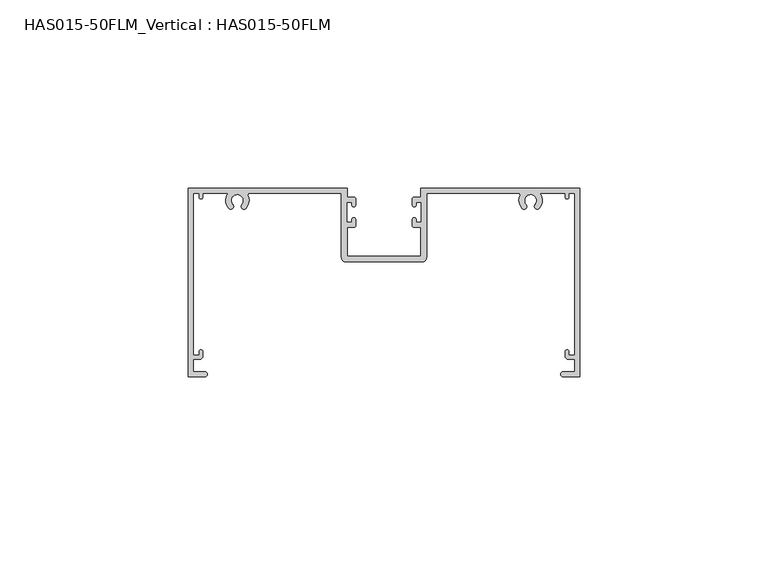
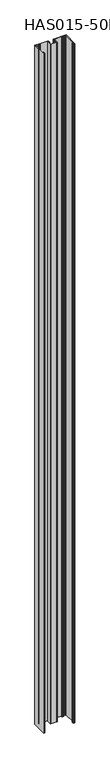
"""IFC4 building model written with IfcOpenShell, lengths in millimetres: beam geometry, HAS015-50FLM_Vertical : HAS015-50FLM."""

from ifc_helpers import new_model, si_unit, point, frame, frame_2d, origin, place, context, project, spatial, polyline, circle_curve, trimmed, segment, composite_curve, outline, extrude, source, transform, mapped, element, save


def has015_50flm_vertical_has015_50flm_49b2bbae(model_context):
    return source(origin(), model_context, "Body", "SweptSolid", [
        extrude(outline(composite_curve([segment(polyline([(-9.7397316, -2.3590177), (-8.0332081, -2.3590177)]), True, "CONTINUOUS"), segment(trimmed(circle_curve(frame_2d((-8.0332081, -2.8609364)), 0.5019187), [point((-8.0332081, -2.3590177))], [point((-7.5312895, -2.8609364))], False, "CARTESIAN"), True, "CONTINUOUS"), segment(polyline([(-7.5312895, -2.8609364), (-7.5312895, -4.4663086)]), True, "CONTINUOUS"), segment(trimmed(circle_curve(frame_2d((-8.0332081, -4.4663086)), 0.5019187), [point((-7.5312895, -4.4663086))], [point((-8.5351268, -4.4663086))], False, "CARTESIAN"), True, "CONTINUOUS"), segment(polyline([(-8.5351268, -4.4663086), (-8.5351268, -3.6640062), (-9.940499, -3.6640062), (-9.940499, -9.0847277), (-8.5351268, -9.0847277), (-8.5351268, -8.2824253)]), True, "CONTINUOUS"), segment(trimmed(circle_curve(frame_2d((-8.0332081, -8.2824253)), 0.5019187), [point((-8.5351268, -8.2824253))], [point((-7.5312895, -8.2824253))], False, "CARTESIAN"), True, "CONTINUOUS"), segment(polyline([(-7.5312895, -8.2824253), (-7.5312895, -9.8877976)]), True, "CONTINUOUS"), segment(trimmed(circle_curve(frame_2d((-8.0332081, -9.8877976)), 0.5019187), [point((-7.5312895, -9.8877976))], [point((-8.0332081, -10.3897162))], False, "CARTESIAN"), True, "CONTINUOUS"), segment(polyline([(-8.0332081, -10.3897162), (-9.7397316, -10.3897162), (-9.7397316, -18.0188798), (9.7397316, -18.0188798), (9.7397316, -10.3897162), (8.0332081, -10.3897162)]), True, "CONTINUOUS"), segment(trimmed(circle_curve(frame_2d((8.0332081, -9.8877976)), 0.5019187), [point((8.0332081, -10.3897162))], [point((7.5312895, -9.8877976))], False, "CARTESIAN"), True, "CONTINUOUS"), segment(polyline([(7.5312895, -9.8877976), (7.5312895, -8.2824253)]), True, "CONTINUOUS"), segment(trimmed(circle_curve(frame_2d((8.0332081, -8.2824253)), 0.5019187), [point((7.5312895, -8.2824253))], [point((8.5351268, -8.2824253))], False, "CARTESIAN"), True, "CONTINUOUS"), segment(polyline([(8.5351268, -8.2824253), (8.5351268, -9.0847277), (9.940499, -9.0847277), (9.940499, -3.6640062), (8.5351268, -3.6640062), (8.5351268, -4.4663086)]), True, "CONTINUOUS"), segment(trimmed(circle_curve(frame_2d((8.0332081, -4.4663086)), 0.5019187), [point((8.5351268, -4.4663086))], [point((7.5312895, -4.4663086))], False, "CARTESIAN"), True, "CONTINUOUS"), segment(polyline([(7.5312895, -4.4663086), (7.5312895, -2.8609364)]), True, "CONTINUOUS"), segment(trimmed(circle_curve(frame_2d((8.0332081, -2.8609364)), 0.5019187), [point((7.5312895, -2.8609364))], [point((8.0332081, -2.3590177))], False, "CARTESIAN"), True, "CONTINUOUS"), segment(polyline([(8.0332081, -2.3590177), (9.7397316, -2.3590177), (9.7397316, 0.0), (51.998773, 0.0), (51.998773, -50.0959329), (47.6822725, -50.0959329)]), True, "CONTINUOUS"), segment(trimmed(circle_curve(frame_2d((47.6822725, -49.3932468)), 0.7026861), [point((47.6822725, -50.0959329))], [point((47.6822725, -48.6905607))], False, "CARTESIAN"), True, "CONTINUOUS"), segment(polyline([(47.6822725, -48.6905607), (50.6435926, -48.6905607), (50.6435926, -45.4280894), (48.9370692, -45.4280894)]), True, "CONTINUOUS"), segment(trimmed(circle_curve(frame_2d((48.9370692, -44.6250195)), 0.8030699), [point((48.9370692, -45.4280894))], [point((48.1339993, -44.6250195))], False, "CARTESIAN"), True, "CONTINUOUS"), segment(polyline([(48.1339993, -44.6250195), (48.1339993, -43.4204148)]), True, "CONTINUOUS"), segment(trimmed(circle_curve(frame_2d((48.635918, -43.4204148)), 0.5019187), [point((48.1339993, -43.4204148))], [point((49.1378366, -43.4204148))], False, "CARTESIAN"), True, "CONTINUOUS"), segment(polyline([(49.1378366, -43.4204148), (49.1378366, -44.4242521), (50.6435926, -44.4242521), (50.6435926, -1.3551804), (49.1378366, -1.3551804), (49.1378366, -2.3590177)]), True, "CONTINUOUS"), segment(trimmed(circle_curve(frame_2d((48.635918, -2.3590177)), 0.5019187), [point((49.1378366, -2.3590177))], [point((48.1339993, -2.3590177))], False, "CARTESIAN"), True, "CONTINUOUS"), segment(polyline([(48.1339993, -2.3590177), (48.1339993, -1.3551804), (41.4082317, -1.3551804)]), True, "CONTINUOUS"), segment(trimmed(circle_curve(frame_2d((38.9488879, -3.261885)), 3.1118957), [point((41.4082317, -1.3551804))], [point((41.283567, -5.3193515))], False, "CARTESIAN"), True, "CONTINUOUS"), segment(trimmed(circle_curve(frame_2d((40.7187253, -4.8215773)), 0.752878), [point((41.283567, -5.3193515))], [point((40.1538836, -4.3238032))], False, "CARTESIAN"), True, "CONTINUOUS"), segment(trimmed(circle_curve(frame_2d((38.9488879, -3.261885)), 1.6061397), [point((40.1538836, -4.3238032))], [point((38.9939217, -1.6563768))], True, "CARTESIAN"), True, "CONTINUOUS"), segment(trimmed(circle_curve(frame_2d((38.9488879, -3.261885)), 1.6061397), [point((38.9939217, -1.6563768))], [point((37.7438922, -4.3238032))], True, "CARTESIAN"), True, "CONTINUOUS"), segment(trimmed(circle_curve(frame_2d((37.1790505, -4.8215773)), 0.752878), [point((37.7438922, -4.3238032))], [point((36.6142088, -5.3193515))], False, "CARTESIAN"), True, "CONTINUOUS"), segment(trimmed(circle_curve(frame_2d((38.9488879, -3.261885)), 3.1118957), [point((36.6142088, -5.3193515))], [point((36.1372659, -1.9282147))], False, "CARTESIAN"), True, "CONTINUOUS"), segment(trimmed(circle_curve(frame_2d((35.7744765, -1.7561284)), 0.4015343), [point((36.1372659, -1.9282147))], [point((35.7744765, -1.3545941))], True, "CARTESIAN"), True, "CONTINUOUS"), segment(polyline([(35.7744765, -1.3545941), (11.2956794, -1.3545941), (11.2956794, -18.3702229)]), True, "CONTINUOUS"), segment(trimmed(circle_curve(frame_2d((10.0910746, -18.3702229)), 1.2046048), [point((11.2956794, -18.3702229))], [point((10.0910746, -19.5748277))], False, "CARTESIAN"), True, "CONTINUOUS"), segment(polyline([(10.0910746, -19.5748277), (-10.0910746, -19.5748277)]), True, "CONTINUOUS"), segment(trimmed(circle_curve(frame_2d((-10.0910746, -18.3702229)), 1.2046048), [point((-10.0910746, -19.5748277))], [point((-11.2956794, -18.3702229))], False, "CARTESIAN"), True, "CONTINUOUS"), segment(polyline([(-11.2956794, -18.3702229), (-11.2956794, -1.3545941), (-35.7744765, -1.3545941)]), True, "CONTINUOUS"), segment(trimmed(circle_curve(frame_2d((-35.7744765, -1.7561284)), 0.4015343), [point((-35.7744765, -1.3545941))], [point((-36.1372659, -1.9282147))], True, "CARTESIAN"), True, "CONTINUOUS"), segment(trimmed(circle_curve(frame_2d((-38.9488879, -3.261885)), 3.1118957), [point((-36.1372659, -1.9282147))], [point((-36.6142088, -5.3193515))], False, "CARTESIAN"), True, "CONTINUOUS"), segment(trimmed(circle_curve(frame_2d((-37.1790505, -4.8215773)), 0.752878), [point((-36.6142088, -5.3193515))], [point((-37.7438922, -4.3238032))], False, "CARTESIAN"), True, "CONTINUOUS"), segment(trimmed(circle_curve(frame_2d((-38.9488879, -3.261885)), 1.6061397), [point((-37.7438922, -4.3238032))], [point((-38.9185853, -1.6560312))], True, "CARTESIAN"), True, "CONTINUOUS"), segment(trimmed(circle_curve(frame_2d((-38.9488879, -3.261885)), 1.6061397), [point((-38.9185853, -1.6560312))], [point((-40.1538835, -4.3238032))], True, "CARTESIAN"), True, "CONTINUOUS"), segment(trimmed(circle_curve(frame_2d((-40.7187253, -4.8215773)), 0.752878), [point((-40.1538835, -4.3238032))], [point((-41.283567, -5.3193515))], False, "CARTESIAN"), True, "CONTINUOUS"), segment(trimmed(circle_curve(frame_2d((-38.9488879, -3.261885)), 3.1118957), [point((-41.283567, -5.3193515))], [point((-41.4077771, -1.3545941))], False, "CARTESIAN"), True, "CONTINUOUS"), segment(polyline([(-41.4077771, -1.3545941), (-48.1339993, -1.3545941), (-48.1339993, -2.3590177)]), True, "CONTINUOUS"), segment(trimmed(circle_curve(frame_2d((-48.635918, -2.3590177)), 0.5019187), [point((-48.1339993, -2.3590177))], [point((-49.1378366, -2.3590177))], False, "CARTESIAN"), True, "CONTINUOUS"), segment(polyline([(-49.1378366, -2.3590177), (-49.1378366, -1.3551804), (-50.6435926, -1.3551804), (-50.6435926, -44.4242521), (-49.1378366, -44.4242521), (-49.1378366, -43.4204148)]), True, "CONTINUOUS"), segment(trimmed(circle_curve(frame_2d((-48.635918, -43.4204148)), 0.5019187), [point((-49.1378366, -43.4204148))], [point((-48.1339993, -43.4204148))], False, "CARTESIAN"), True, "CONTINUOUS"), segment(polyline([(-48.1339993, -43.4204148), (-48.1339993, -44.6250195)]), True, "CONTINUOUS"), segment(trimmed(circle_curve(frame_2d((-48.9370692, -44.6250195)), 0.8030699), [point((-48.1339993, -44.6250195))], [point((-48.9370692, -45.4280894))], False, "CARTESIAN"), True, "CONTINUOUS"), segment(polyline([(-48.9370692, -45.4280894), (-50.6435926, -45.4280894), (-50.6435926, -48.6905607), (-47.6822725, -48.6905607)]), True, "CONTINUOUS"), segment(trimmed(circle_curve(frame_2d((-47.6822725, -49.3932468)), 0.7026861), [point((-47.6822725, -48.6905607))], [point((-47.6822725, -50.0959329))], False, "CARTESIAN"), True, "CONTINUOUS"), segment(polyline([(-47.6822725, -50.0959329), (-51.998773, -50.0959329), (-51.998773, 0.0), (-9.7397316, 0.0), (-9.7397316, -2.3590177)]), True, "CONTINUOUS")], self_intersect=False)), frame((0.0, 0.0, -1200.0), z_axis=(0.0, 0.0, 1.0), x_axis=(1.0, 0.0, 0.0)), (0.0, 0.0, 1.0), 2400.0),
    ])


if __name__ == "__main__":
    model = new_model("IFC4")
    model_context = context("Model", 3, world=origin())
    ifc_project = project(units=[si_unit("LENGTHUNIT", "METRE", prefix="MILLI")], contexts=[model_context])
    site = spatial("IfcSite", under=ifc_project)
    building = spatial("IfcBuilding", under=site)
    placement = place(None, origin())
    has015_50flm_vertical_has015_50flm_shape = has015_50flm_vertical_has015_50flm_49b2bbae(model_context)
    element("IfcBeam", 1, ObjectType="HAS015-50FLM_Vertical : HAS015-50FLM", at=placement, inside=building, context=model_context, shape_type="MappedRepresentation", body=[
        mapped(has015_50flm_vertical_has015_50flm_shape, transform((0.0, 0.0, 0.0), x_axis=(1.0, 0.0, 0.0), y_axis=(0.0, 1.0, 0.0), z_axis=(0.0, 0.0, 1.0))),
    ])
    save(model, "model.ifc")
